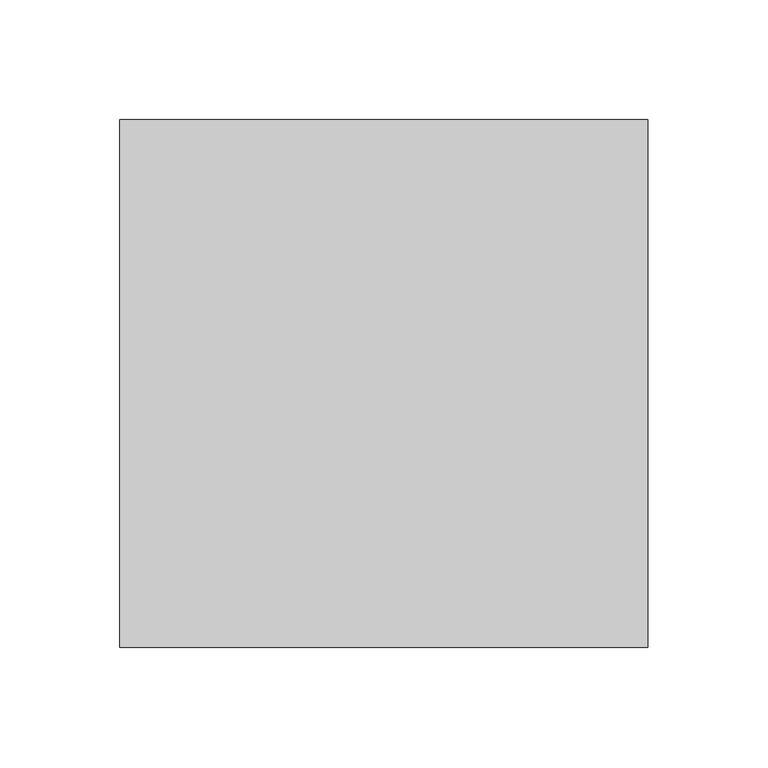
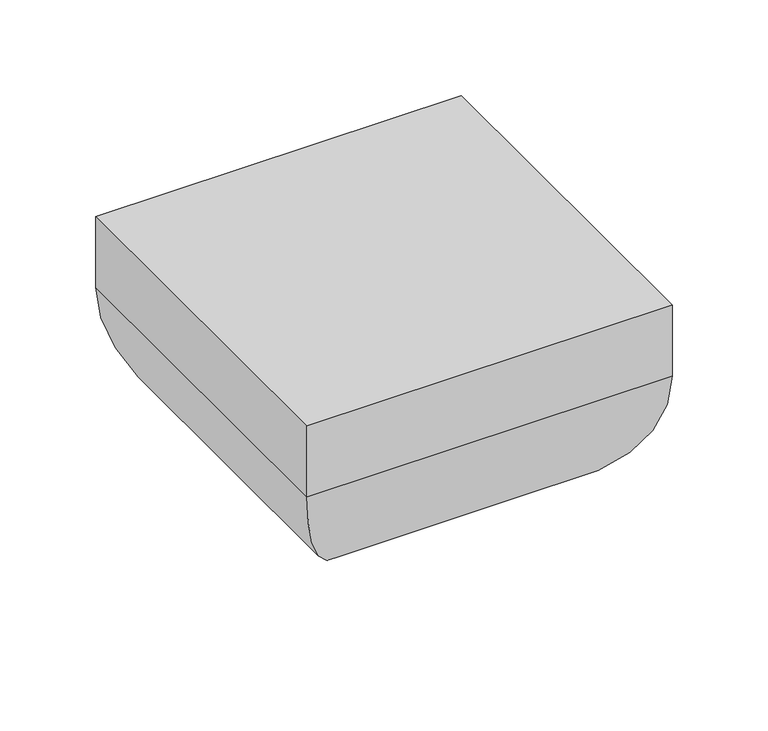
"""IFC4 building model written with IfcOpenShell, lengths in millimetres: proxy geometry."""

from ifc_helpers import new_model, si_unit, frame, origin, place, context, project, spatial, ellipse_curve, source, transform, mapped, element, save
from ifc_brep_helpers import plane_surface, cylinder_surface, advanced_brep


def specialty_equipment_28e85bef(model_context):
    return source(origin(), model_context, "Body", "AdvancedBrep", [
        advanced_brep(
        [(110.0, 110.0000001, 2955.0), (110.0, 110.0000001, 3000.0), (110.0, -110.0000001, 3000.0), (110.0, -110.0000001, 2955.0), (50.7904592, 50.7904592, 2866.9997555), (50.7904592, -50.7904592, 2866.9997555), (-110.0, -110.0000001, 3000.0), (-110.0, -110.0000001, 2955.0), (-50.7904592, -50.7904592, 2866.9997555), (-110.0, 110.0000001, 3000.0), (-110.0, 110.0000001, 2955.0), (-50.7904592, 50.7904592, 2866.9997555)],
        [
            (0, 1),
            (1, 2),
            (2, 3),
            (3, 0),
            (4, 0, ellipse_curve(frame((15.0, 15.0000001, 2955.0), z_axis=(0.7071067811865475, -0.7071067811865475, 0.0), x_axis=(0.7071067811865474, 0.7071067811865476, 0.0)), 134.3502884, 95.0)),
            (3, 5, ellipse_curve(frame((15.0, -15.0000001, 2955.0), z_axis=(0.7071067811865475, 0.7071067811865475, 0.0), x_axis=(-0.7071067811865474, 0.7071067811865476, 0.0)), 134.3502884, 95.0)),
            (5, 4),
            (2, 6),
            (6, 7),
            (7, 3),
            (7, 8, ellipse_curve(frame((-15.0, -15.0000001, 2955.0), z_axis=(0.7071067811865475, -0.7071067811865475, 0.0), x_axis=(0.7071067811865476, 0.7071067811865474, 0.0)), 134.3502884, 95.0)),
            (8, 5),
            (6, 9),
            (9, 10),
            (10, 7),
            (10, 11, ellipse_curve(frame((-15.0, 15.0000001, 2955.0), z_axis=(-0.7071067811865475, -0.7071067811865475, 0.0), x_axis=(0.7071067811865474, -0.7071067811865476, 0.0)), 134.3502884, 95.0)),
            (11, 8),
            (1, 9),
            (0, 10),
            (4, 11),
        ],
        [
            plane_surface(frame((110.0, 110.0000001, 3000.0), z_axis=(1.0, 0.0, 0.0), x_axis=(0.0, -1.0, 0.0))),
            cylinder_surface(frame((15.0, 110.0000001, 2955.0), z_axis=(0.0, 1.0, 0.0), x_axis=(1.0, 0.0, 0.0)), 95.0),
            plane_surface(frame((110.0, -110.0000001, 3000.0), z_axis=(0.0, -1.0, 0.0), x_axis=(-1.0, 0.0, 0.0))),
            cylinder_surface(frame((110.0, -15.0000001, 2955.0), z_axis=(1.0, 0.0, 0.0), x_axis=(0.0, -1.0, 0.0)), 95.0),
            plane_surface(frame((-110.0, -110.0000001, 3000.0), z_axis=(-1.0, 0.0, 0.0), x_axis=(0.0, 1.0, 0.0))),
            cylinder_surface(frame((-15.0, -110.0000001, 2955.0), z_axis=(0.0, -1.0, 0.0), x_axis=(-1.0, 0.0, 0.0)), 95.0),
            plane_surface(frame((0.0, 1e-07, 3000.0), z_axis=(0.0, 0.0, 1.0), x_axis=(1.0, 0.0, 0.0))),
            plane_surface(frame((-110.0, 110.0000001, 3000.0), z_axis=(0.0, 1.0, 0.0), x_axis=(1.0, 0.0, 0.0))),
            cylinder_surface(frame((-110.0, 15.0000001, 2955.0), z_axis=(-1.0, 0.0, 0.0), x_axis=(0.0, 1.0, 0.0)), 95.0),
            plane_surface(frame((-50.7904592, 50.7904592, 2866.9997555), z_axis=(0.0, 0.0, -1.0), x_axis=(1.0, 0.0, 0.0))),
        ],
        [
            (0, [[1, 2, 3, 4]]),
            (1, [[5, -4, 6, 7]]),
            (2, [[-3, 8, 9, 10]]),
            (3, [[-6, -10, 11, 12]]),
            (4, [[-9, 13, 14, 15]]),
            (5, [[-11, -15, 16, 17]]),
            (6, [[18, -13, -8, -2]]),
            (7, [[-14, -18, -1, 19]]),
            (8, [[-16, -19, -5, 20]]),
            (9, [[-12, -17, -20, -7]]),
        ],
    ),
    ])


if __name__ == "__main__":
    model = new_model("IFC4")
    model_context = context("Model", 3, world=origin())
    ifc_project = project(units=[si_unit("LENGTHUNIT", "METRE", prefix="MILLI")], contexts=[model_context])
    site = spatial("IfcSite", under=ifc_project)
    building = spatial("IfcBuilding", under=site)
    placement = place(None, origin())
    specialty_equipment_shape = specialty_equipment_28e85bef(model_context)
    element("IfcBuildingElementProxy", 1, Name="Specialty Equipment", at=placement, inside=building, context=model_context, shape_type="MappedRepresentation", body=[
        mapped(specialty_equipment_shape, transform((0.0, 0.0, 0.0), x_axis=(1.0, 0.0, 0.0), y_axis=(0.0, 1.0, 0.0), z_axis=(0.0, 0.0, 1.0))),
    ])
    save(model, "model.ifc")
